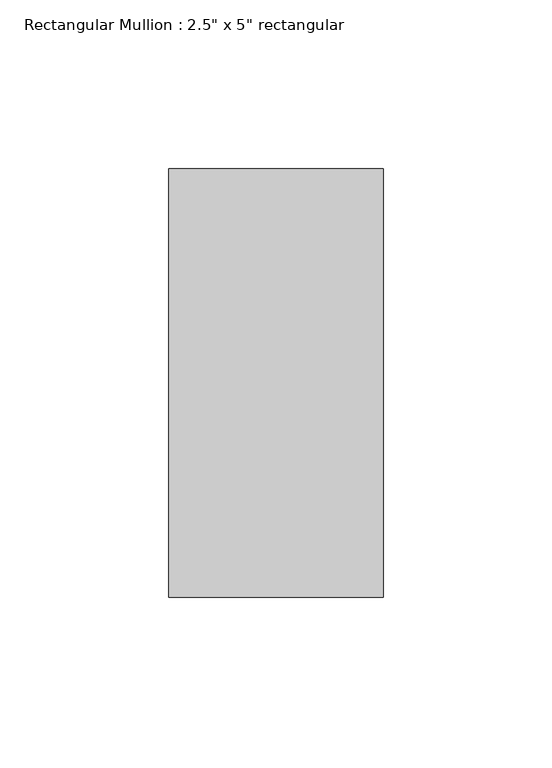
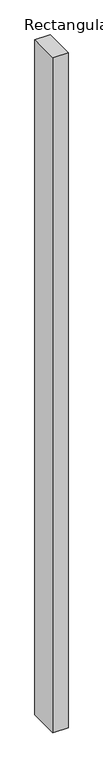
"""IFC4 building model written with IfcOpenShell, lengths in millimetres: member geometry."""

from ifc_helpers import new_model, si_unit, frame, origin, place, context, project, spatial, polyline, outline, extrude, source, transform, mapped, element, save


def member_d9b0607a(model_context):
    return source(origin(), model_context, "Body", "SweptSolid", [
        extrude(outline(polyline([(0.0, 63.5), (0.0, -63.5), (-63.5, -63.5), (-63.5, 63.5), (0.0, 63.5)])), frame((0.0, 0.0, -2952.75), z_axis=(0.0, 0.0, 1.0), x_axis=(1.0, 0.0, 0.0)), (0.0, 0.0, 1.0), 2952.75),
    ])


if __name__ == "__main__":
    model = new_model("IFC4")
    model_context = context("Model", 3, world=origin())
    ifc_project = project(units=[si_unit("LENGTHUNIT", "METRE", prefix="MILLI")], contexts=[model_context])
    site = spatial("IfcSite", under=ifc_project)
    building = spatial("IfcBuilding", under=site)
    placement = place(None, origin())
    member_shape = member_d9b0607a(model_context)
    element("IfcMember", 1, ObjectType="Rectangular Mullion : 2.5\" x 5\" rectangular", at=placement, inside=building, context=model_context, shape_type="MappedRepresentation", body=[
        mapped(member_shape, transform((0.0, 0.0, 0.0), x_axis=(1.0, 0.0, 0.0), y_axis=(0.0, 1.0, 0.0), z_axis=(0.0, 0.0, 1.0))),
    ])
    save(model, "model.ifc")
